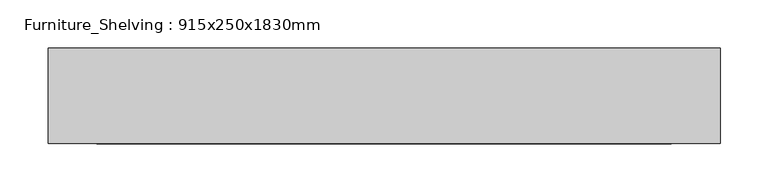
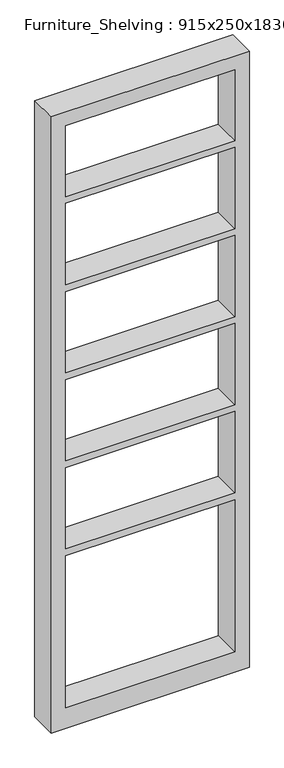
"""IFC4 building model written with IfcOpenShell, lengths in millimetres: furniture geometry, Furniture_Shelving : 915x250x1830mm."""

from ifc_helpers import new_model, si_unit, frame, origin, place, context, project, spatial, polyline, outline, extrude, source, transform, mapped, element, save


def furniture_shelving_915x250x1830mm_2abdcf9e(model_context):
    return source(origin(), model_context, "Body", "SweptSolid", [
        extrude(outline(polyline([(0.0, 350.0), (2300.0, 350.0), (2300.0, -350.0), (0.0, -350.0), (0.0, 350.0)]), holes=[polyline([(2249.2, 299.2), (1984.1285714, 299.2), (1984.1285714, -299.2), (2249.2, -299.2), (2249.2, 299.2)]), polyline([(76.2, 299.2), (76.2, -299.2), (644.4428571, -299.2), (644.4428571, 299.2), (76.2, 299.2)]), polyline([(1326.9857143, -299.2), (1630.1571429, -299.2), (1630.1571429, 299.2), (1326.9857143, 299.2), (1326.9857143, -299.2)]), polyline([(1958.7285714, 299.2), (1655.5571429, 299.2), (1655.5571429, -299.2), (1958.7285714, -299.2), (1958.7285714, 299.2)]), polyline([(1301.5857143, 299.2), (998.4142857, 299.2), (998.4142857, -299.2), (1301.5857143, -299.2), (1301.5857143, 299.2)]), polyline([(973.0142857, 299.2), (669.8428571, 299.2), (669.8428571, -299.2), (973.0142857, -299.2), (973.0142857, 299.2)])]), frame((0.0, -354.8, 0.0), z_axis=(0.0, 1.0, 0.0), x_axis=(0.0, 0.0, 1.0)), (0.0, 0.0, 1.0), 100.0),
    ])


if __name__ == "__main__":
    model = new_model("IFC4")
    model_context = context("Model", 3, world=origin())
    ifc_project = project(units=[si_unit("LENGTHUNIT", "METRE", prefix="MILLI")], contexts=[model_context])
    site = spatial("IfcSite", under=ifc_project)
    building = spatial("IfcBuilding", under=site)
    placement = place(None, origin())
    furniture_shelving_915x250x1830mm_shape = furniture_shelving_915x250x1830mm_2abdcf9e(model_context)
    element("IfcFurniture", 1, ObjectType="Furniture_Shelving : 915x250x1830mm", at=placement, inside=building, context=model_context, shape_type="MappedRepresentation", body=[
        mapped(furniture_shelving_915x250x1830mm_shape, transform((0.0, 0.0, 0.0), x_axis=(1.0, 0.0, 0.0), y_axis=(0.0, 1.0, 0.0), z_axis=(0.0, 0.0, 1.0))),
    ])
    save(model, "model.ifc")
